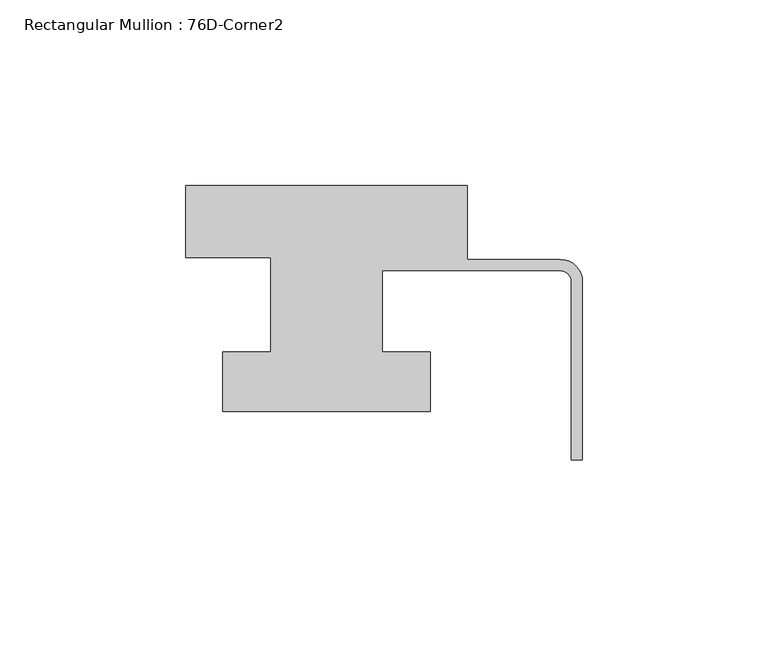
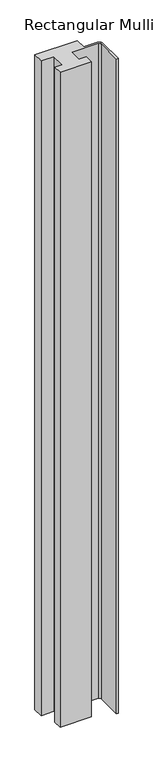
"""IFC4 building model written with IfcOpenShell, lengths in millimetres: member geometry, Rectangular Mullion : 76D-Corner2."""

from ifc_helpers import new_model, si_unit, point, frame, frame_2d, origin, place, context, project, spatial, polyline, circle_curve, trimmed, segment, composite_curve, outline, extrude, source, transform, mapped, element, save


def rectangular_mullion_76d_corner2_56c35d16(model_context):
    return source(origin(), model_context, "Body", "SweptSolid", [
        extrude(outline(composite_curve([segment(polyline([(-107.0, 20.0), (-31.0, 20.0), (-31.0, 0.0), (-6.0, 0.0)]), True, "CONTINUOUS"), segment(trimmed(circle_curve(frame_2d((-6.0, -6.0)), 6.0), [point((-6.0, 0.0))], [point((0.0, -6.0))], False, "CARTESIAN"), True, "CONTINUOUS"), segment(polyline([(0.0, -6.0), (0.0, -54.0), (-3.0, -54.0), (-3.0, -6.0)]), True, "CONTINUOUS"), segment(trimmed(circle_curve(frame_2d((-6.0, -6.0)), 3.0), [point((-3.0, -6.0))], [point((-6.0, -3.0))], True, "CARTESIAN"), True, "CONTINUOUS"), segment(polyline([(-6.0, -3.0), (-54.0, -3.0), (-54.0, -25.0), (-41.0, -25.0), (-41.0, -41.0), (-97.0, -41.0), (-97.0, -25.0), (-84.0, -25.0), (-84.0, 0.5), (-107.0, 0.5), (-107.0, 20.0)]), True, "CONTINUOUS")], self_intersect=False)), frame((0.0, 0.0, -1246.465707), z_axis=(0.0, 0.0, 1.0), x_axis=(1.0, 0.0, 0.0)), (0.0, 0.0, 1.0), 1246.465707),
    ])


if __name__ == "__main__":
    model = new_model("IFC4")
    model_context = context("Model", 3, world=origin())
    ifc_project = project(units=[si_unit("LENGTHUNIT", "METRE", prefix="MILLI")], contexts=[model_context])
    site = spatial("IfcSite", under=ifc_project)
    building = spatial("IfcBuilding", under=site)
    placement = place(None, origin())
    rectangular_mullion_76d_corner2_shape = rectangular_mullion_76d_corner2_56c35d16(model_context)
    element("IfcMember", 1, ObjectType="Rectangular Mullion : 76D-Corner2", at=placement, inside=building, context=model_context, shape_type="MappedRepresentation", body=[
        mapped(rectangular_mullion_76d_corner2_shape, transform((0.0, 0.0, 0.0), x_axis=(1.0, 0.0, 0.0), y_axis=(0.0, 1.0, 0.0), z_axis=(0.0, 0.0, 1.0))),
    ])
    save(model, "model.ifc")
